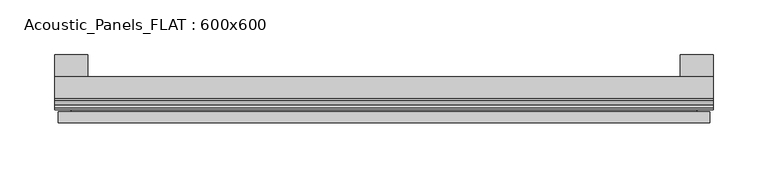
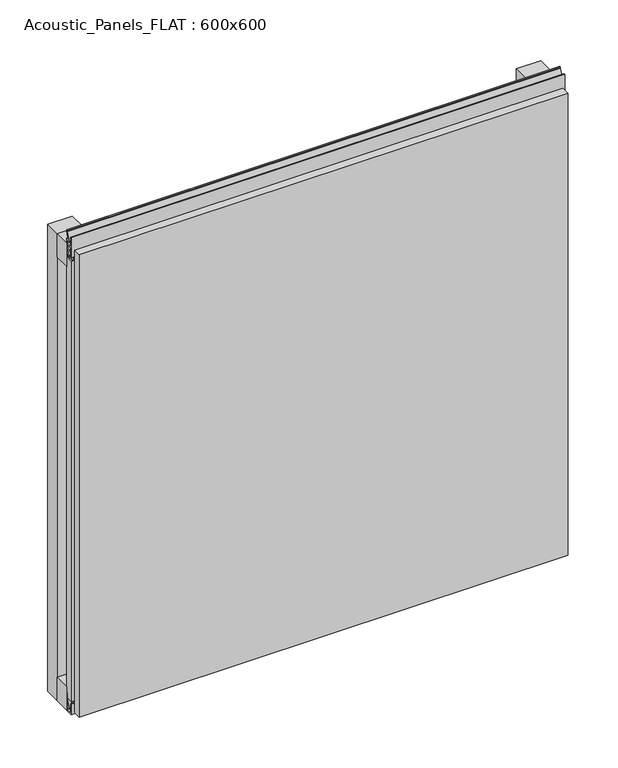
"""IFC4 building model written with IfcOpenShell, lengths in millimetres: plate geometry, Acoustic_Panels_FLAT : 600x600."""

from ifc_helpers import new_model, si_unit, frame, origin, origin_with_axes, place, context, project, spatial, polyline, outline, extrude, faceted_brep, source, transform, mapped, element, save


def acoustic_panels_flat_600x600_c1d79ceb(model_context):
    return source(origin(), model_context, "Body", "SolidModel", [
        extrude(outline(polyline([(-300.0, -40.0), (-300.0, -20.0), (300.0, -20.0), (300.0, -40.0), (-300.0, -40.0)])), frame((0.0, 0.0, 570.0), z_axis=(0.0, 0.0, 1.0), x_axis=(1.0, 0.0, 0.0)), (0.0, 0.0, 1.0), 30.0),
        extrude(outline(polyline([(-300.0, -40.0), (-300.0, -20.0), (300.0, -20.0), (300.0, -40.0), (-300.0, -40.0)])), origin_with_axes(), (0.0, 0.0, 1.0), 30.0),
        extrude(outline(polyline([(270.0, 0.0), (300.0, 0.0), (300.0, -20.0), (270.0, -20.0), (270.0, 0.0)])), origin_with_axes(), (0.0, 0.0, 1.0), 600.0),
        extrude(outline(polyline([(-270.0, 0.0), (-270.0, -20.0), (-300.0, -20.0), (-300.0, 0.0), (-270.0, 0.0)])), origin_with_axes(), (0.0, 0.0, 1.0), 600.0),
        extrude(outline(polyline([(-40.0, 6.299084), (-40.0, 0.0), (-50.1, 0.0), (-50.1, 13.4156807), (-48.7, 13.4156807), (-48.7, 1.4156807), (-41.4, 1.4156807), (-41.4, 4.899084), (-45.5140545, 4.899084), (-41.4553267, 15.5703394), (-41.4553267, 22.991548), (-40.0553267, 22.991548), (-40.0553267, 15.3558599), (-43.5, 6.299084), (-40.0, 6.299084)])), frame((-300.0, 0.0, 0.0), z_axis=(1.0, 0.0, 0.0), x_axis=(0.0, 1.0, 0.0)), (0.0, 0.0, 1.0), 600.0),
        extrude(outline(polyline([(-293.700916, -40.0), (-293.700916, -43.5), (-284.6441401, -40.0553267), (-277.008452, -40.0553267), (-277.008452, -41.4553267), (-284.4296606, -41.4553267), (-295.100916, -45.5140545), (-295.100916, -41.4), (-298.5843193, -41.4), (-298.5843193, -48.7), (-286.5843193, -48.7), (-286.5843193, -50.1), (-300.0, -50.1), (-300.0, -40.0), (-293.700916, -40.0)])), frame((0.0, 0.0, 16.9558599), z_axis=(0.0, 0.0, 1.0), x_axis=(1.0, 0.0, 0.0)), (0.0, 0.0, 1.0), 566.0882802),
        extrude(outline(polyline([(-48.7, 600.899084), (-41.4, 600.899084), (-41.4, 604.899084), (-45.5140545, 604.899084), (-41.4553267, 615.5703394), (-41.4553267, 616.9558599), (-40.0553267, 616.9558599), (-40.0553267, 615.3558599), (-43.5, 606.299084), (-40.0, 606.299084), (-40.0, 593.700916), (-43.5, 593.700916), (-40.0553267, 584.6441401), (-40.0553267, 583.0441401), (-41.4553267, 583.0441401), (-41.4553267, 584.4296606), (-45.5140545, 595.100916), (-41.4, 595.100916), (-41.4, 599.100916), (-48.7, 599.100916), (-48.7, 587.100916), (-50.1, 587.100916), (-50.1, 612.899084), (-48.7, 612.899084), (-48.7, 600.899084)])), frame((-300.0, 0.0, 0.0), z_axis=(1.0, 0.0, 0.0), x_axis=(0.0, 1.0, 0.0)), (0.0, 0.0, 1.0), 600.0),
        faceted_brep([(297.0, -45.9, 597.0), (-297.0, -45.9, 597.0), (-297.0, -48.7, 597.0), (297.0, -48.7, 597.0), (-297.0, -61.9, 597.0), (297.0, -61.9, 597.0), (297.0, -51.9, 597.0), (-297.0, -51.9, 597.0), (-297.0, -45.9, 3.0), (297.0, -45.9, 3.0), (297.0, -48.7, 3.0), (-297.0, -48.7, 3.0), (297.0, -61.9, 3.0), (-297.0, -61.9, 3.0), (-297.0, -51.9, 3.0), (297.0, -51.9, 3.0), (285.0, -51.9, 585.0), (285.0, -51.9, 15.0), (285.0, -48.7, 15.0), (285.0, -48.7, 585.0), (-285.0, -51.9, 15.0), (-285.0, -48.7, 15.0), (-285.0, -51.9, 585.0), (-285.0, -48.7, 585.0)], [[[0, 1, 2, 3]], [[4, 5, 6, 7]], [[8, 9, 10, 11]], [[12, 13, 14, 15]], [[1, 0, 9, 8]], [[1, 8, 11, 2]], [[13, 4, 7, 14]], [[5, 4, 13, 12]], [[9, 0, 3, 10]], [[5, 12, 15, 6]], [[16, 17, 18, 19]], [[18, 17, 20, 21]], [[21, 20, 22, 23]], [[16, 19, 23, 22]], [[7, 6, 15, 14], [17, 16, 22, 20]], [[3, 2, 11, 10], [19, 18, 21, 23]]]),
    ])


if __name__ == "__main__":
    model = new_model("IFC4")
    model_context = context("Model", 3, world=origin())
    ifc_project = project(units=[si_unit("LENGTHUNIT", "METRE", prefix="MILLI")], contexts=[model_context])
    site = spatial("IfcSite", under=ifc_project)
    building = spatial("IfcBuilding", under=site)
    placement = place(None, origin())
    acoustic_panels_flat_600x600_shape = acoustic_panels_flat_600x600_c1d79ceb(model_context)
    element("IfcPlate", 1, ObjectType="Acoustic_Panels_FLAT : 600x600", at=placement, inside=building, context=model_context, shape_type="MappedRepresentation", body=[
        mapped(acoustic_panels_flat_600x600_shape, transform((0.0, 0.0, 0.0), x_axis=(1.0, 0.0, 0.0), y_axis=(0.0, 1.0, 0.0), z_axis=(0.0, 0.0, 1.0))),
    ])
    save(model, "model.ifc")
